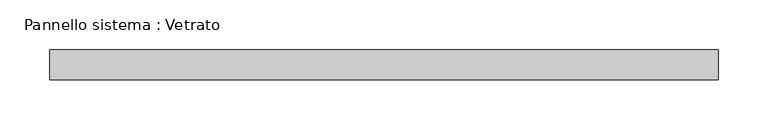
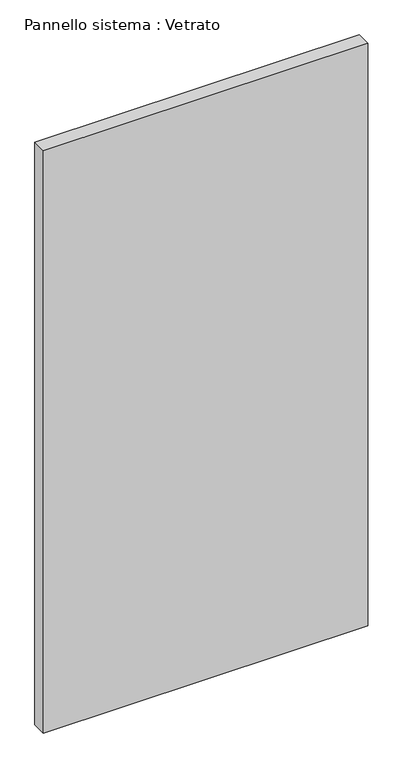
"""IFC4 building model written with IfcOpenShell, lengths in millimetres: plate geometry, Pannello sistema : Vetrato."""

from ifc_helpers import new_model, si_unit, origin, origin_with_axes, place, context, project, spatial, polyline, outline, extrude, source, transform, mapped, element, save


def pannello_sistema_vetrato_498e23c1(model_context):
    return source(origin(), model_context, "Body", "SweptSolid", [
        extrude(outline(polyline([(336.0, -15.0), (-336.0, -15.0), (-336.0, 15.0), (336.0, 15.0), (336.0, -15.0)])), origin_with_axes(), (0.0, 0.0, 1.0), 1275.0),
    ])


if __name__ == "__main__":
    model = new_model("IFC4")
    model_context = context("Model", 3, world=origin())
    ifc_project = project(units=[si_unit("LENGTHUNIT", "METRE", prefix="MILLI")], contexts=[model_context])
    site = spatial("IfcSite", under=ifc_project)
    building = spatial("IfcBuilding", under=site)
    placement = place(None, origin())
    pannello_sistema_vetrato_shape = pannello_sistema_vetrato_498e23c1(model_context)
    element("IfcPlate", 1, ObjectType="Pannello sistema : Vetrato", at=placement, inside=building, context=model_context, shape_type="MappedRepresentation", body=[
        mapped(pannello_sistema_vetrato_shape, transform((0.0, 0.0, 0.0), x_axis=(1.0, 0.0, 0.0), y_axis=(0.0, 1.0, 0.0), z_axis=(0.0, 0.0, 1.0))),
    ])
    save(model, "model.ifc")
